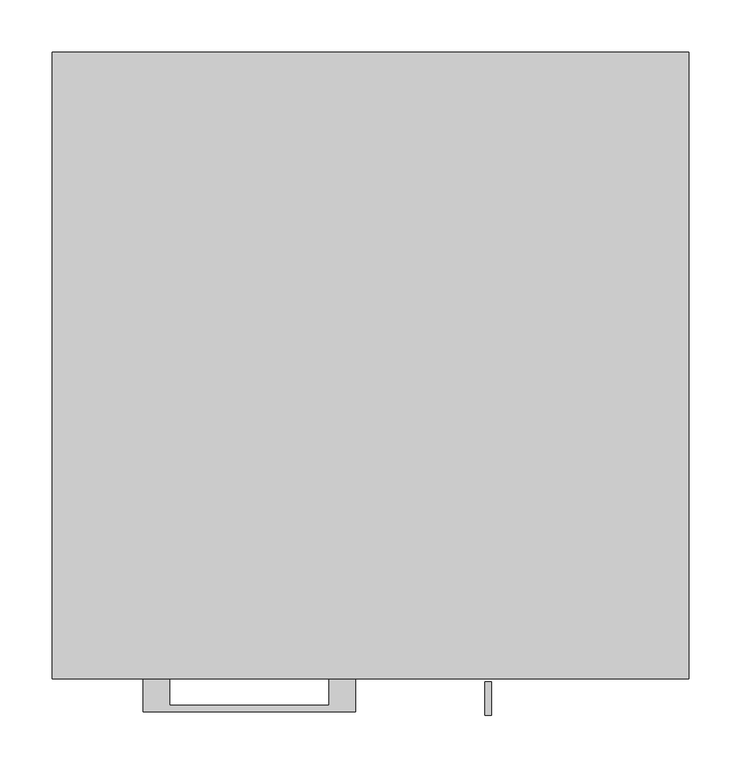
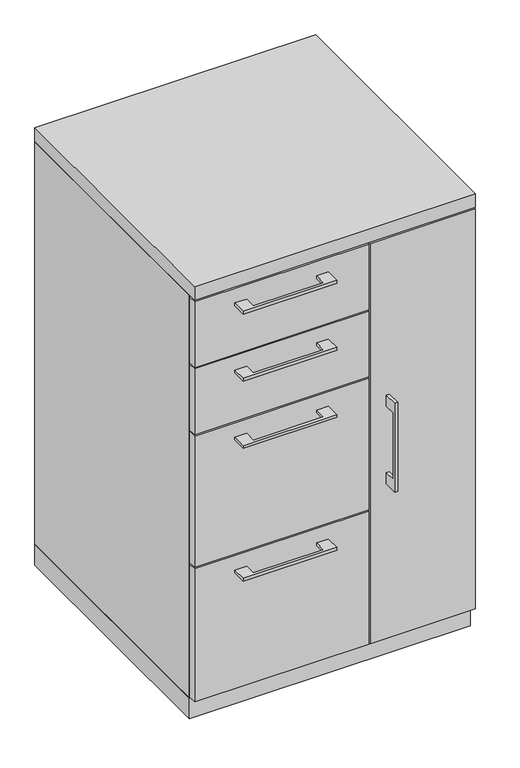
"""IFC4 building model written with IfcOpenShell, lengths in millimetres: furniture geometry."""

from ifc_helpers import new_model, si_unit, frame, origin, origin_with_axes, place, context, project, spatial, polyline, outline, extrude, source, transform, mapped, element, save


def furniture_95b2e563(model_context):
    return source(origin(), model_context, "Body", "SweptSolid", [
        extrude(outline(polyline([(-192.0874818, -600.075), (-192.0874818, -625.4749758), (-39.6875, -625.4749758), (-39.6875, -600.075), (-14.2875061, -600.075), (-14.2875061, -631.8249879), (-217.4874939, -631.8249879), (-217.4874939, -600.075), (-192.0874818, -600.075)])), frame((0.0, 0.0, 774.7000506), z_axis=(0.0, 0.0, 1.0), x_axis=(1.0, 0.0, 0.0)), (0.0, 0.0, 1.0), 6.3499758),
        extrude(outline(polyline([(73.025, -581.025), (73.025, -600.075), (-304.8, -600.075), (-304.8, -581.025), (73.025, -581.025)])), frame((0.0, 0.0, 663.575), z_axis=(0.0, 0.0, 1.0), x_axis=(1.0, 0.0, 0.0)), (0.0, 0.0, 1.0), 150.8125),
        extrude(outline(polyline([(-192.0874818, -600.075), (-192.0874818, -625.4749758), (-39.6875, -625.4749758), (-39.6875, -600.075), (-14.2875061, -600.075), (-14.2875061, -631.8249879), (-217.4874939, -631.8249879), (-217.4874939, -600.075), (-192.0874818, -600.075)])), frame((0.0, 0.0, 928.6875506), z_axis=(0.0, 0.0, 1.0), x_axis=(1.0, 0.0, 0.0)), (0.0, 0.0, 1.0), 6.3499758),
        extrude(outline(polyline([(73.025, -581.025), (73.025, -600.075), (-304.8, -600.075), (-304.8, -581.025), (73.025, -581.025)])), frame((0.0, 0.0, 817.5625), z_axis=(0.0, 0.0, 1.0), x_axis=(1.0, 0.0, 0.0)), (0.0, 0.0, 1.0), 150.8125),
        extrude(outline(polyline([(-192.0874818, -600.075), (-192.0874818, -625.4749758), (-39.6875, -625.4749758), (-39.6875, -600.075), (-14.2875061, -600.075), (-14.2875061, -631.8249879), (-217.4874939, -631.8249879), (-217.4874939, -600.075), (-192.0874818, -600.075)])), frame((0.0, 0.0, 620.7125506), z_axis=(0.0, 0.0, 1.0), x_axis=(1.0, 0.0, 0.0)), (0.0, 0.0, 1.0), 6.3499758),
        extrude(outline(polyline([(73.025, -581.025), (73.025, -600.075), (-304.8, -600.075), (-304.8, -581.025), (73.025, -581.025)])), frame((0.0, 0.0, 358.775), z_axis=(0.0, 0.0, 1.0), x_axis=(1.0, 0.0, 0.0)), (0.0, 0.0, 1.0), 301.625),
        extrude(outline(polyline([(-603.25, 585.7875), (-628.6499758, 585.7875), (-628.6499758, 433.3875), (-603.25, 433.3875), (-603.25, 407.9875), (-634.9999879, 407.9875), (-634.9999879, 611.1875), (-603.25, 611.1875), (-603.25, 585.7875)])), frame((109.5375121, 0.0, 0.0), z_axis=(1.0, 0.0, 0.0), x_axis=(0.0, 1.0, 0.0)), (0.0, 0.0, 1.0), 6.3499758),
        extrude(outline(polyline([(304.8, -600.075), (76.2, -600.075), (76.2, -581.025), (304.8, -581.025), (304.8, -600.075)])), frame((0.0, 0.0, 50.8), z_axis=(0.0, 0.0, 1.0), x_axis=(1.0, 0.0, 0.0)), (0.0, 0.0, 1.0), 917.575),
        extrude(outline(polyline([(-192.0874818, -600.075), (-192.0874818, -625.4749758), (-39.6875, -625.4749758), (-39.6875, -600.075), (-14.2875061, -600.075), (-14.2875061, -631.8249879), (-217.4874939, -631.8249879), (-217.4874939, -600.075), (-192.0874818, -600.075)])), frame((0.0, 0.0, 315.9125506), z_axis=(0.0, 0.0, 1.0), x_axis=(1.0, 0.0, 0.0)), (0.0, 0.0, 1.0), 6.3499758),
        extrude(outline(polyline([(73.025, -581.025), (73.025, -600.075), (-304.8, -600.075), (-304.8, -581.025), (73.025, -581.025)])), frame((0.0, 0.0, 50.8), z_axis=(0.0, 0.0, 1.0), x_axis=(1.0, 0.0, 0.0)), (0.0, 0.0, 1.0), 304.8),
        extrude(outline(polyline([(304.8, 0.0), (304.8, -581.025), (-304.8, -581.025), (-304.8, 0.0), (304.8, 0.0)])), origin_with_axes(), (0.0, 0.0, 1.0), 47.625),
        extrude(outline(polyline([(304.8, 0.0), (304.8, -600.075), (-304.8, -600.075), (-304.8, 0.0), (304.8, 0.0)])), frame((0.0, 0.0, 971.55), z_axis=(0.0, 0.0, 1.0), x_axis=(1.0, 0.0, 0.0)), (0.0, 0.0, 1.0), 31.75),
        extrude(outline(polyline([(304.8, 0.0), (304.8, -581.025), (-304.8, -581.025), (-304.8, 0.0), (304.8, 0.0)])), frame((0.0, 0.0, 47.625), z_axis=(0.0, 0.0, 1.0), x_axis=(1.0, 0.0, 0.0)), (0.0, 0.0, 1.0), 923.925),
    ])


if __name__ == "__main__":
    model = new_model("IFC4")
    model_context = context("Model", 3, world=origin())
    ifc_project = project(units=[si_unit("LENGTHUNIT", "METRE", prefix="MILLI")], contexts=[model_context])
    site = spatial("IfcSite", under=ifc_project)
    building = spatial("IfcBuilding", under=site)
    placement = place(None, origin())
    furniture_shape = furniture_95b2e563(model_context)
    element("IfcFurniture", 1, at=placement, inside=building, context=model_context, shape_type="MappedRepresentation", body=[
        mapped(furniture_shape, transform((0.0, 0.0, 0.0), x_axis=(1.0, 0.0, 0.0), y_axis=(0.0, 1.0, 0.0), z_axis=(0.0, 0.0, 1.0))),
    ])
    save(model, "model.ifc")
